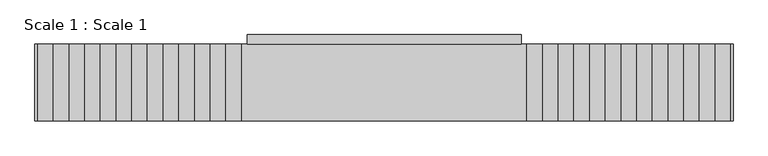
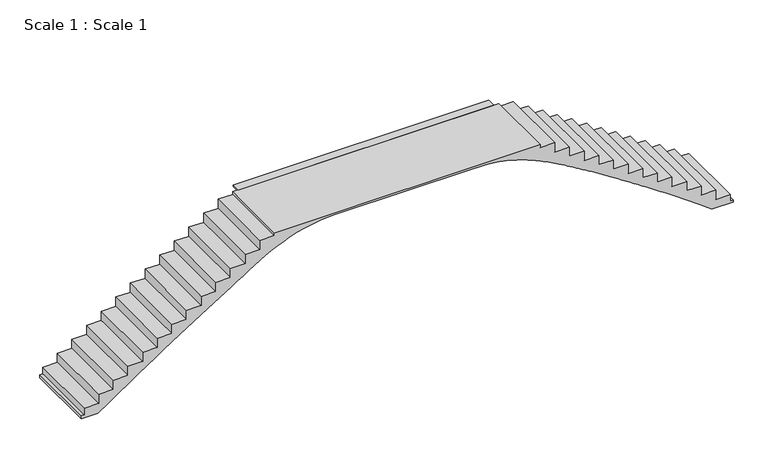
"""IFC4 building model written with IfcOpenShell, lengths in millimetres: stair geometry, Scale 1 : Scale 1."""

from ifc_helpers import new_model, si_unit, frame, origin, place, context, project, spatial, polyline, outline, extrude, source, transform, mapped, element, save
from ifc_brep_helpers import plane_surface, extruded_surface, spline_curve, advanced_brep


def scale_1_scale_1_6ed9c804(model_context):
    return source(origin(), model_context, "Body", "SolidModel", [
        extrude(outline(polyline([(-2451.3222846, 102880.8744563), (-2451.4627447, 103045.5155444), (2338.7658961, 103045.5155444), (2338.9063561, 102880.8744563), (-2451.3222846, 102880.8744563)])), frame((0.0, 0.0, -79.6639607), z_axis=(0.0, 0.0, 1.0), x_axis=(1.0, 0.0, 0.0)), (0.0, 0.0, 1.0), 32.7389607),
        advanced_brep(
        [(-6114.0062312, 101536.9208429, -2409.125), (-6164.0062312, 101536.9208429, -2409.125), (-6164.0062312, 101536.9208429, -2472.8416985), (-5854.7603723, 101536.9208429, -2472.8416985), (-1360.3230097, 101536.9208429, -79.6639607), (1159.8184088, 101536.9208429, -79.6639607), (5642.9128543, 101536.9208429, -2445.1296417), (6040.8513788, 101536.9208429, -2445.1296417), (6040.8513788, 101536.9208429, -2409.125), (5990.8513788, 101536.9208429, -2409.125), (5990.8513788, 101536.9208429, -2277.6964286), (5716.8513788, 101536.9208429, -2277.6964286), (5716.8513788, 101536.9208429, -2096.2678571), (5442.8513788, 101536.9208429, -2096.2678571), (5442.8513788, 101536.9208429, -1914.8392857), (5168.8513788, 101536.9208429, -1914.8392857), (5168.8513788, 101536.9208429, -1733.4107143), (4894.8513788, 101536.9208429, -1733.4107143), (4894.8513788, 101536.9208429, -1551.9821429), (4620.8513788, 101536.9208429, -1551.9821429), (4620.8513788, 101536.9208429, -1370.5535714), (4346.8513788, 101536.9208429, -1370.5535714), (4346.8513788, 101536.9208429, -1189.125), (4072.8513788, 101536.9208429, -1189.125), (4072.8513788, 101536.9208429, -1007.6964286), (3798.8513788, 101536.9208429, -1007.6964286), (3798.8513788, 101536.9208429, -826.2678571), (3524.8513788, 101536.9208429, -826.2678571), (3524.8513788, 101536.9208429, -644.8392857), (3250.8513788, 101536.9208429, -644.8392857), (3250.8513788, 101536.9208429, -463.4107143), (2976.8513788, 101536.9208429, -463.4107143), (2976.8513788, 101536.9208429, -281.9821429), (2702.8513788, 101536.9208429, -281.9821429), (2702.8513788, 101536.9208429, -100.5535714), (2428.8513788, 101536.9208429, -100.5535714), (2428.8513788, 101536.9208429, -46.925), (-2552.0062312, 101536.9208429, -46.925), (-2552.0062312, 101536.9208429, -100.5535714), (-2826.0062312, 101536.9208429, -100.5535714), (-2826.0062312, 101536.9208429, -281.9821429), (-3100.0062312, 101536.9208429, -281.9821429), (-3100.0062312, 101536.9208429, -463.4107143), (-3374.0062312, 101536.9208429, -463.4107143), (-3374.0062312, 101536.9208429, -644.8392857), (-3648.0062312, 101536.9208429, -644.8392857), (-3648.0062312, 101536.9208429, -826.2678571), (-3922.0062312, 101536.9208429, -826.2678571), (-3922.0062312, 101536.9208429, -1007.6964286), (-4196.0062312, 101536.9208429, -1007.6964286), (-4196.0062312, 101536.9208429, -1189.125), (-4470.0062312, 101536.9208429, -1189.125), (-4470.0062312, 101536.9208429, -1370.5535714), (-4744.0062312, 101536.9208429, -1370.5535714), (-4744.0062312, 101536.9208429, -1551.9821429), (-5018.0062312, 101536.9208429, -1551.9821429), (-5018.0062312, 101536.9208429, -1733.4107143), (-5292.0062312, 101536.9208429, -1733.4107143), (-5292.0062312, 101536.9208429, -1914.8392857), (-5566.0062312, 101536.9208429, -1914.8392857), (-5566.0062312, 101536.9208429, -2096.2678571), (-5840.0062312, 101536.9208429, -2096.2678571), (-5840.0062312, 101536.9208429, -2277.6964286), (-6114.0062312, 101536.9208429, -2277.6964286), (-6114.0062312, 102880.8744563, -2409.125), (-6114.0062312, 102880.8744563, -2277.6964286), (-5840.0062312, 102880.8744563, -2277.6964286), (-5840.0062312, 102880.8744563, -2096.2678571), (-5566.0062312, 102880.8744563, -2096.2678571), (-5566.0062312, 102880.8744563, -1914.8392857), (-5292.0062312, 102880.8744563, -1914.8392857), (-5292.0062312, 102880.8744563, -1733.4107143), (-5018.0062312, 102880.8744563, -1733.4107143), (-5018.0062312, 102880.8744563, -1551.9821429), (-4744.0062312, 102880.8744563, -1551.9821429), (-4744.0062312, 102880.8744563, -1370.5535714), (-4470.0062312, 102880.8744563, -1370.5535714), (-4470.0062312, 102880.8744563, -1189.125), (-4196.0062312, 102880.8744563, -1189.125), (-4196.0062312, 102880.8744563, -1007.6964286), (-3922.0062312, 102880.8744563, -1007.6964286), (-3922.0062312, 102880.8744563, -826.2678571), (-3648.0062312, 102880.8744563, -826.2678571), (-3648.0062312, 102880.8744563, -644.8392857), (-3374.0062312, 102880.8744563, -644.8392857), (-3374.0062312, 102880.8744563, -463.4107143), (-3100.0062312, 102880.8744563, -463.4107143), (-3100.0062312, 102880.8744563, -281.9821429), (-2826.0062312, 102880.8744563, -281.9821429), (-2826.0062312, 102880.8744563, -100.5535714), (-2552.0062312, 102880.8744563, -100.5535714), (-2552.0062312, 102880.8744563, -46.925), (2428.8513788, 102880.8744563, -46.925), (2428.8513788, 102880.8744563, -100.5535714), (2702.8513788, 102880.8744563, -100.5535714), (2702.8513788, 102880.8744563, -281.9821429), (2976.8513788, 102880.8744563, -281.9821429), (2976.8513788, 102880.8744563, -463.4107143), (3250.8513788, 102880.8744563, -463.4107143), (3250.8513788, 102880.8744563, -644.8392857), (3524.8513788, 102880.8744563, -644.8392857), (3524.8513788, 102880.8744563, -826.2678571), (3798.8513788, 102880.8744563, -826.2678571), (3798.8513788, 102880.8744563, -1007.6964286), (4072.8513788, 102880.8744563, -1007.6964286), (4072.8513788, 102880.8744563, -1189.125), (4346.8513788, 102880.8744563, -1189.125), (4346.8513788, 102880.8744563, -1370.5535714), (4620.8513788, 102880.8744563, -1370.5535714), (4620.8513788, 102880.8744563, -1551.9821429), (4894.8513788, 102880.8744563, -1551.9821429), (4894.8513788, 102880.8744563, -1733.4107143), (5168.8513788, 102880.8744563, -1733.4107143), (5168.8513788, 102880.8744563, -1914.8392857), (5442.8513788, 102880.8744563, -1914.8392857), (5442.8513788, 102880.8744563, -2096.2678571), (5716.8513788, 102880.8744563, -2096.2678571), (5716.8513788, 102880.8744563, -2277.6964286), (5990.8513788, 102880.8744563, -2277.6964286), (5990.8513788, 102880.8744563, -2409.125), (6040.8513788, 102880.8744563, -2409.125), (6040.8513788, 102880.8744563, -2445.1296417), (5642.9128543, 102880.8744563, -2445.1296417), (1159.8184088, 102880.8744563, -79.6639607), (-1360.3230097, 102880.8744563, -79.6639607), (-5854.7603723, 102880.8744563, -2472.8416985), (-6164.0062312, 102880.8744563, -2472.8416985), (-6164.0062312, 102880.8744563, -2409.125)],
        [
            (0, 1),
            (1, 2),
            (2, 3),
            (3, 4, spline_curve(3, [(-5854.7603723, 101536.9208429, -2472.8416985), (-5215.939141151, 101536.9208429, -2021.633828203), (-4711.963453904, 101536.9208429, -1691.814876884), (-3835.267017317, 101536.9208429, -1132.231871195), (-3469.174377386, 101536.9208429, -907.41847355), (-2840.926000292, 101536.9208429, -509.262302512), (-2571.416360257, 101536.9208429, -333.25600703), (-1962.500538251, 101536.9208429, -133.708721794), (-1671.518733949, 101536.9208429, -79.6639607), (-1360.3230097, 101536.9208429, -79.6639607)], [4, 2, 2, 2, 4], [0.0, 3.5428278716966215, 7.239057588797348, 10.381137758256397, 12.537862804239388])),
            (4, 5),
            (5, 6, spline_curve(3, [(1159.8184088, 101536.9208429, -79.6639607), (1582.914099428, 101536.9208429, -79.6639607), (1798.792499676, 101536.9208429, -130.701772013), (2268.538307721, 101536.9208429, -279.514807901), (2485.83237614, 101536.9208429, -387.857029454), (3082.824715666, 101536.9208429, -720.52482361), (3492.867772039, 101536.9208429, -973.094985439), (4531.446560892, 101536.9208429, -1653.591309258), (5151.964602583, 101536.9208429, -2075.173598209), (5642.9128543, 101536.9208429, -2445.1296417)], [4, 2, 2, 2, 4], [0.0, 1.8897821220264976, 4.741252817784384, 8.66091437078692, 12.445480388334165])),
            (6, 7),
            (7, 8),
            (8, 9),
            (9, 10),
            (10, 11),
            (11, 12),
            (12, 13),
            (13, 14),
            (14, 15),
            (15, 16),
            (16, 17),
            (17, 18),
            (18, 19),
            (19, 20),
            (20, 21),
            (21, 22),
            (22, 23),
            (23, 24),
            (24, 25),
            (25, 26),
            (26, 27),
            (27, 28),
            (28, 29),
            (29, 30),
            (30, 31),
            (31, 32),
            (32, 33),
            (33, 34),
            (34, 35),
            (35, 36),
            (36, 37),
            (37, 38),
            (38, 39),
            (39, 40),
            (40, 41),
            (41, 42),
            (42, 43),
            (43, 44),
            (44, 45),
            (45, 46),
            (46, 47),
            (47, 48),
            (48, 49),
            (49, 50),
            (50, 51),
            (51, 52),
            (52, 53),
            (53, 54),
            (54, 55),
            (55, 56),
            (56, 57),
            (57, 58),
            (58, 59),
            (59, 60),
            (60, 61),
            (61, 62),
            (62, 63),
            (63, 0),
            (64, 65),
            (65, 66),
            (66, 67),
            (67, 68),
            (68, 69),
            (69, 70),
            (70, 71),
            (71, 72),
            (72, 73),
            (73, 74),
            (74, 75),
            (75, 76),
            (76, 77),
            (77, 78),
            (78, 79),
            (79, 80),
            (80, 81),
            (81, 82),
            (82, 83),
            (83, 84),
            (84, 85),
            (85, 86),
            (86, 87),
            (87, 88),
            (88, 89),
            (89, 90),
            (90, 91),
            (91, 92),
            (92, 93),
            (93, 94),
            (94, 95),
            (95, 96),
            (96, 97),
            (97, 98),
            (98, 99),
            (99, 100),
            (100, 101),
            (101, 102),
            (102, 103),
            (103, 104),
            (104, 105),
            (105, 106),
            (106, 107),
            (107, 108),
            (108, 109),
            (109, 110),
            (110, 111),
            (111, 112),
            (112, 113),
            (113, 114),
            (114, 115),
            (115, 116),
            (116, 117),
            (117, 118),
            (118, 119),
            (119, 120),
            (120, 121),
            (121, 122),
            (122, 123, spline_curve(3, [(5642.9128543, 102880.8744563, -2445.1296417), (5151.964602583, 102880.8744563, -2075.173598209), (4531.446560892, 102880.8744563, -1653.591309258), (3492.867772039, 102880.8744563, -973.094985439), (3082.824715666, 102880.8744563, -720.52482361), (2485.83237614, 102880.8744563, -387.857029454), (2268.538307721, 102880.8744563, -279.514807901), (1798.792499676, 102880.8744563, -130.701772013), (1582.914099428, 102880.8744563, -79.6639607), (1159.8184088, 102880.8744563, -79.6639607)], [4, 2, 2, 2, 4], [0.0, 3.7845660175472453, 7.704227570549781, 10.555698266307667, 12.445480388334165])),
            (123, 124),
            (124, 125, spline_curve(3, [(-1360.3230097, 102880.8744563, -79.6639607), (-1671.518733949, 102880.8744563, -79.6639607), (-1962.500538251, 102880.8744563, -133.708721794), (-2571.416360257, 102880.8744563, -333.25600703), (-2840.926000292, 102880.8744563, -509.262302512), (-3469.174377386, 102880.8744563, -907.41847355), (-3835.267017317, 102880.8744563, -1132.231871195), (-4711.963453904, 102880.8744563, -1691.814876884), (-5215.939141151, 102880.8744563, -2021.633828203), (-5854.7603723, 102880.8744563, -2472.8416985)], [4, 2, 2, 2, 4], [0.0, 2.1567250459829914, 5.298805215442041, 8.995034932542767, 12.537862804239388])),
            (125, 126),
            (126, 127),
            (127, 64),
            (0, 64),
            (127, 1),
            (126, 2),
            (125, 3),
            (124, 4),
            (123, 5),
            (122, 6),
            (121, 7),
            (120, 8),
            (119, 9),
            (118, 10),
            (117, 11),
            (116, 12),
            (115, 13),
            (114, 14),
            (113, 15),
            (112, 16),
            (111, 17),
            (110, 18),
            (109, 19),
            (108, 20),
            (107, 21),
            (106, 22),
            (105, 23),
            (104, 24),
            (103, 25),
            (102, 26),
            (101, 27),
            (100, 28),
            (99, 29),
            (98, 30),
            (97, 31),
            (96, 32),
            (95, 33),
            (94, 34),
            (93, 35),
            (92, 36),
            (91, 37),
            (90, 38),
            (89, 39),
            (88, 40),
            (87, 41),
            (86, 42),
            (85, 43),
            (84, 44),
            (83, 45),
            (82, 46),
            (81, 47),
            (80, 48),
            (79, 49),
            (78, 50),
            (77, 51),
            (76, 52),
            (75, 53),
            (74, 54),
            (73, 55),
            (72, 56),
            (71, 57),
            (70, 58),
            (69, 59),
            (68, 60),
            (67, 61),
            (66, 62),
            (65, 63),
        ],
        [
            plane_surface(frame((-2652.0062312, 101536.9208429, 130.875), z_axis=(0.0, -1.0, 0.0), x_axis=(0.0, 0.0, 1.0))),
            plane_surface(frame((-2652.0062312, 102880.8744563, 130.875), z_axis=(0.0, 1.0, 0.0), x_axis=(0.0, 0.0, 1.0))),
            plane_surface(frame((-6114.0062312, 101536.9208429, -2409.125), z_axis=(0.0, 0.0, 1.0), x_axis=(0.0, 1.0, 0.0))),
            plane_surface(frame((-6164.0062312, 101536.9208429, -2409.125), z_axis=(-1.0, 0.0, 0.0), x_axis=(0.0, 1.0, 0.0))),
            plane_surface(frame((-6164.0062312, 101536.9208429, -2472.8416985), z_axis=(0.0, 0.0, -1.0), x_axis=(0.0, 1.0, 0.0))),
            extruded_surface(spline_curve(3, [(-5854.7603723, 102880.8744563, -2472.8416985), (-5215.939141151, 102880.8744563, -2021.633828203), (-4711.963453904, 102880.8744563, -1691.814876884), (-3835.267017317, 102880.8744563, -1132.231871195), (-3469.174377386, 102880.8744563, -907.41847355), (-2840.926000292, 102880.8744563, -509.262302512), (-2571.416360257, 102880.8744563, -333.25600703), (-1962.500538251, 102880.8744563, -133.708721794), (-1671.518733949, 102880.8744563, -79.6639607), (-1360.3230097, 102880.8744563, -79.6639607)], [4, 2, 2, 2, 4], [0.0, 3.5428278716966215, 7.239057588797348, 10.381137758256397, 12.537862804239388]), (0.0, -1343.9536133999936, 0.0), 1343.9536133999936),
            plane_surface(frame((-1360.3230097, 101536.9208429, -79.6639607), z_axis=(0.0, 0.0, -1.0), x_axis=(0.0, 1.0, 0.0))),
            extruded_surface(spline_curve(3, [(1159.8184088, 102880.8744563, -79.6639607), (1582.914099428, 102880.8744563, -79.6639607), (1798.792499676, 102880.8744563, -130.701772013), (2268.538307721, 102880.8744563, -279.514807901), (2485.83237614, 102880.8744563, -387.857029454), (3082.824715666, 102880.8744563, -720.52482361), (3492.867772039, 102880.8744563, -973.094985439), (4531.446560892, 102880.8744563, -1653.591309258), (5151.964602583, 102880.8744563, -2075.173598209), (5642.9128543, 102880.8744563, -2445.1296417)], [4, 2, 2, 2, 4], [0.0, 1.8897821220264976, 4.741252817784384, 8.66091437078692, 12.445480388334165]), (0.0, -1343.9536133999936, 0.0), 1343.9536133999936),
            plane_surface(frame((5642.9128543, 101536.9208429, -2445.1296417), z_axis=(0.0, 0.0, -1.0), x_axis=(0.0, 1.0, 0.0))),
            plane_surface(frame((6040.8513788, 101536.9208429, -2445.1296417), z_axis=(1.0, 0.0, 0.0), x_axis=(0.0, 1.0, 0.0))),
            plane_surface(frame((6040.8513788, 101536.9208429, -2409.125), z_axis=(0.0, 0.0, 1.0), x_axis=(0.0, 1.0, 0.0))),
            plane_surface(frame((5990.8513788, 101536.9208429, -2409.125), z_axis=(1.0, 0.0, 0.0), x_axis=(0.0, 1.0, 0.0))),
            plane_surface(frame((5990.8513788, 101536.9208429, -2277.6964286), z_axis=(0.0, 0.0, 1.0), x_axis=(0.0, 1.0, 0.0))),
            plane_surface(frame((5716.8513788, 101536.9208429, -2277.6964286), z_axis=(1.0, 0.0, 0.0), x_axis=(0.0, 1.0, 0.0))),
            plane_surface(frame((5716.8513788, 101536.9208429, -2096.2678571), z_axis=(0.0, 0.0, 1.0), x_axis=(0.0, 1.0, 0.0))),
            plane_surface(frame((5442.8513788, 101536.9208429, -2096.2678571), z_axis=(1.0, 0.0, 0.0), x_axis=(0.0, 1.0, 0.0))),
            plane_surface(frame((5442.8513788, 101536.9208429, -1914.8392857), z_axis=(0.0, 0.0, 1.0), x_axis=(0.0, 1.0, 0.0))),
            plane_surface(frame((5168.8513788, 101536.9208429, -1914.8392857), z_axis=(1.0, 0.0, 0.0), x_axis=(0.0, 1.0, 0.0))),
            plane_surface(frame((5168.8513788, 101536.9208429, -1733.4107143), z_axis=(0.0, 0.0, 1.0), x_axis=(0.0, 1.0, 0.0))),
            plane_surface(frame((4894.8513788, 101536.9208429, -1733.4107143), z_axis=(1.0, 0.0, 0.0), x_axis=(0.0, 1.0, 0.0))),
            plane_surface(frame((4894.8513788, 101536.9208429, -1551.9821429), z_axis=(0.0, 0.0, 1.0), x_axis=(0.0, 1.0, 0.0))),
            plane_surface(frame((4620.8513788, 101536.9208429, -1551.9821429), z_axis=(1.0, 0.0, 0.0), x_axis=(0.0, 1.0, 0.0))),
            plane_surface(frame((4620.8513788, 101536.9208429, -1370.5535714), z_axis=(0.0, 0.0, 1.0), x_axis=(0.0, 1.0, 0.0))),
            plane_surface(frame((4346.8513788, 101536.9208429, -1370.5535714), z_axis=(1.0, 0.0, 0.0), x_axis=(0.0, 1.0, 0.0))),
            plane_surface(frame((4346.8513788, 101536.9208429, -1189.125), z_axis=(0.0, 0.0, 1.0), x_axis=(0.0, 1.0, 0.0))),
            plane_surface(frame((4072.8513788, 101536.9208429, -1189.125), z_axis=(1.0, 0.0, 0.0), x_axis=(0.0, 1.0, 0.0))),
            plane_surface(frame((4072.8513788, 101536.9208429, -1007.6964286), z_axis=(0.0, 0.0, 1.0), x_axis=(0.0, 1.0, 0.0))),
            plane_surface(frame((3798.8513788, 101536.9208429, -1007.6964286), z_axis=(1.0, 0.0, 0.0), x_axis=(0.0, 1.0, 0.0))),
            plane_surface(frame((3798.8513788, 101536.9208429, -826.2678571), z_axis=(0.0, 0.0, 1.0), x_axis=(0.0, 1.0, 0.0))),
            plane_surface(frame((3524.8513788, 101536.9208429, -826.2678571), z_axis=(1.0, 0.0, 0.0), x_axis=(0.0, 1.0, 0.0))),
            plane_surface(frame((3524.8513788, 101536.9208429, -644.8392857), z_axis=(0.0, 0.0, 1.0), x_axis=(0.0, 1.0, 0.0))),
            plane_surface(frame((3250.8513788, 101536.9208429, -644.8392857), z_axis=(1.0, 0.0, 0.0), x_axis=(0.0, 1.0, 0.0))),
            plane_surface(frame((3250.8513788, 101536.9208429, -463.4107143), z_axis=(0.0, 0.0, 1.0), x_axis=(0.0, 1.0, 0.0))),
            plane_surface(frame((2976.8513788, 101536.9208429, -463.4107143), z_axis=(1.0, 0.0, 0.0), x_axis=(0.0, 1.0, 0.0))),
            plane_surface(frame((2976.8513788, 101536.9208429, -281.9821429), z_axis=(0.0, 0.0, 1.0), x_axis=(0.0, 1.0, 0.0))),
            plane_surface(frame((2702.8513788, 101536.9208429, -281.9821429), z_axis=(1.0, 0.0, 0.0), x_axis=(0.0, 1.0, 0.0))),
            plane_surface(frame((2702.8513788, 101536.9208429, -100.5535714), z_axis=(0.0, 0.0, 1.0), x_axis=(0.0, 1.0, 0.0))),
            plane_surface(frame((2428.8513788, 101536.9208429, -100.5535714), z_axis=(1.0, 0.0, 0.0), x_axis=(0.0, 1.0, 0.0))),
            plane_surface(frame((2428.8513788, 101536.9208429, -46.925), z_axis=(0.0, 0.0, 1.0), x_axis=(0.0, 1.0, 0.0))),
            plane_surface(frame((-2552.0062312, 101536.9208429, -46.925), z_axis=(-1.0, 0.0, 0.0), x_axis=(0.0, 1.0, 0.0))),
            plane_surface(frame((-2552.0062312, 101536.9208429, -100.5535714), z_axis=(0.0, 0.0, 1.0), x_axis=(0.0, 1.0, 0.0))),
            plane_surface(frame((-2826.0062312, 101536.9208429, -100.5535714), z_axis=(-1.0, 0.0, 0.0), x_axis=(0.0, 1.0, 0.0))),
            plane_surface(frame((-2826.0062312, 101536.9208429, -281.9821429), z_axis=(0.0, 0.0, 1.0), x_axis=(0.0, 1.0, 0.0))),
            plane_surface(frame((-3100.0062312, 101536.9208429, -281.9821429), z_axis=(-1.0, 0.0, 0.0), x_axis=(0.0, 1.0, 0.0))),
            plane_surface(frame((-3100.0062312, 101536.9208429, -463.4107143), z_axis=(0.0, 0.0, 1.0), x_axis=(0.0, 1.0, 0.0))),
            plane_surface(frame((-3374.0062312, 101536.9208429, -463.4107143), z_axis=(-1.0, 0.0, 0.0), x_axis=(0.0, 1.0, 0.0))),
            plane_surface(frame((-3374.0062312, 101536.9208429, -644.8392857), z_axis=(0.0, 0.0, 1.0), x_axis=(0.0, 1.0, 0.0))),
            plane_surface(frame((-3648.0062312, 101536.9208429, -644.8392857), z_axis=(-1.0, 0.0, 0.0), x_axis=(0.0, 1.0, 0.0))),
            plane_surface(frame((-3648.0062312, 101536.9208429, -826.2678571), z_axis=(0.0, 0.0, 1.0), x_axis=(0.0, 1.0, 0.0))),
            plane_surface(frame((-3922.0062312, 101536.9208429, -826.2678571), z_axis=(-1.0, 0.0, 0.0), x_axis=(0.0, 1.0, 0.0))),
            plane_surface(frame((-3922.0062312, 101536.9208429, -1007.6964286), z_axis=(0.0, 0.0, 1.0), x_axis=(0.0, 1.0, 0.0))),
            plane_surface(frame((-4196.0062312, 101536.9208429, -1007.6964286), z_axis=(-1.0, 0.0, 0.0), x_axis=(0.0, 1.0, 0.0))),
            plane_surface(frame((-4196.0062312, 101536.9208429, -1189.125), z_axis=(0.0, 0.0, 1.0), x_axis=(0.0, 1.0, 0.0))),
            plane_surface(frame((-4470.0062312, 101536.9208429, -1189.125), z_axis=(-1.0, 0.0, 0.0), x_axis=(0.0, 1.0, 0.0))),
            plane_surface(frame((-4470.0062312, 101536.9208429, -1370.5535714), z_axis=(0.0, 0.0, 1.0), x_axis=(0.0, 1.0, 0.0))),
            plane_surface(frame((-4744.0062312, 101536.9208429, -1370.5535714), z_axis=(-1.0, 0.0, 0.0), x_axis=(0.0, 1.0, 0.0))),
            plane_surface(frame((-4744.0062312, 101536.9208429, -1551.9821429), z_axis=(0.0, 0.0, 1.0), x_axis=(0.0, 1.0, 0.0))),
            plane_surface(frame((-5018.0062312, 101536.9208429, -1551.9821429), z_axis=(-1.0, 0.0, 0.0), x_axis=(0.0, 1.0, 0.0))),
            plane_surface(frame((-5018.0062312, 101536.9208429, -1733.4107143), z_axis=(0.0, 0.0, 1.0), x_axis=(0.0, 1.0, 0.0))),
            plane_surface(frame((-5292.0062312, 101536.9208429, -1733.4107143), z_axis=(-1.0, 0.0, 0.0), x_axis=(0.0, 1.0, 0.0))),
            plane_surface(frame((-5292.0062312, 101536.9208429, -1914.8392857), z_axis=(0.0, 0.0, 1.0), x_axis=(0.0, 1.0, 0.0))),
            plane_surface(frame((-5566.0062312, 101536.9208429, -1914.8392857), z_axis=(-1.0, 0.0, 0.0), x_axis=(0.0, 1.0, 0.0))),
            plane_surface(frame((-5566.0062312, 101536.9208429, -2096.2678571), z_axis=(0.0, 0.0, 1.0), x_axis=(0.0, 1.0, 0.0))),
            plane_surface(frame((-5840.0062312, 101536.9208429, -2096.2678571), z_axis=(-1.0, 0.0, 0.0), x_axis=(0.0, 1.0, 0.0))),
            plane_surface(frame((-5840.0062312, 101536.9208429, -2277.6964286), z_axis=(0.0, 0.0, 1.0), x_axis=(0.0, 1.0, 0.0))),
            plane_surface(frame((-6114.0062312, 101536.9208429, -2277.6964286), z_axis=(-1.0, 0.0, 0.0), x_axis=(0.0, 1.0, 0.0))),
        ],
        [
            (0, [[1, 2, 3, 4, 5, 6, 7, 8, 9, 10, 11, 12, 13, 14, 15, 16, 17, 18, 19, 20, 21, 22, 23, 24, 25, 26, 27, 28, 29, 30, 31, 32, 33, 34, 35, 36, 37, 38, 39, 40, 41, 42, 43, 44, 45, 46, 47, 48, 49, 50, 51, 52, 53, 54, 55, 56, 57, 58, 59, 60, 61, 62, 63, 64]]),
            (1, [[65, 66, 67, 68, 69, 70, 71, 72, 73, 74, 75, 76, 77, 78, 79, 80, 81, 82, 83, 84, 85, 86, 87, 88, 89, 90, 91, 92, 93, 94, 95, 96, 97, 98, 99, 100, 101, 102, 103, 104, 105, 106, 107, 108, 109, 110, 111, 112, 113, 114, 115, 116, 117, 118, 119, 120, 121, 122, 123, 124, 125, 126, 127, 128]]),
            (2, [[-1, 129, -128, 130]]),
            (3, [[-2, -130, -127, 131]]),
            (4, [[-3, -131, -126, 132]]),
            (5, [[-4, -132, -125, 133]]),
            (6, [[-5, -133, -124, 134]]),
            (7, [[-6, -134, -123, 135]]),
            (8, [[-7, -135, -122, 136]]),
            (9, [[-8, -136, -121, 137]]),
            (10, [[-9, -137, -120, 138]]),
            (11, [[-10, -138, -119, 139]]),
            (12, [[-11, -139, -118, 140]]),
            (13, [[-12, -140, -117, 141]]),
            (14, [[-13, -141, -116, 142]]),
            (15, [[-14, -142, -115, 143]]),
            (16, [[-15, -143, -114, 144]]),
            (17, [[-16, -144, -113, 145]]),
            (18, [[-17, -145, -112, 146]]),
            (19, [[-18, -146, -111, 147]]),
            (20, [[-19, -147, -110, 148]]),
            (21, [[-20, -148, -109, 149]]),
            (22, [[-21, -149, -108, 150]]),
            (23, [[-22, -150, -107, 151]]),
            (24, [[-23, -151, -106, 152]]),
            (25, [[-24, -152, -105, 153]]),
            (26, [[-25, -153, -104, 154]]),
            (27, [[-26, -154, -103, 155]]),
            (28, [[-27, -155, -102, 156]]),
            (29, [[-28, -156, -101, 157]]),
            (30, [[-29, -157, -100, 158]]),
            (31, [[-30, -158, -99, 159]]),
            (32, [[-31, -159, -98, 160]]),
            (33, [[-32, -160, -97, 161]]),
            (34, [[-33, -161, -96, 162]]),
            (35, [[-34, -162, -95, 163]]),
            (36, [[-35, -163, -94, 164]]),
            (37, [[-36, -164, -93, 165]]),
            (38, [[-37, -165, -92, 166]]),
            (39, [[-38, -166, -91, 167]]),
            (40, [[-39, -167, -90, 168]]),
            (41, [[-40, -168, -89, 169]]),
            (42, [[-41, -169, -88, 170]]),
            (43, [[-42, -170, -87, 171]]),
            (44, [[-43, -171, -86, 172]]),
            (45, [[-44, -172, -85, 173]]),
            (46, [[-45, -173, -84, 174]]),
            (47, [[-46, -174, -83, 175]]),
            (48, [[-47, -175, -82, 176]]),
            (49, [[-48, -176, -81, 177]]),
            (50, [[-49, -177, -80, 178]]),
            (51, [[-50, -178, -79, 179]]),
            (52, [[-51, -179, -78, 180]]),
            (53, [[-52, -180, -77, 181]]),
            (54, [[-53, -181, -76, 182]]),
            (55, [[-54, -182, -75, 183]]),
            (56, [[-55, -183, -74, 184]]),
            (57, [[-56, -184, -73, 185]]),
            (58, [[-57, -185, -72, 186]]),
            (59, [[-58, -186, -71, 187]]),
            (60, [[-59, -187, -70, 188]]),
            (61, [[-60, -188, -69, 189]]),
            (62, [[-61, -189, -68, 190]]),
            (63, [[-62, -190, -67, 191]]),
            (64, [[-63, -191, -66, 192]]),
            (65, [[-64, -192, -65, -129]]),
        ],
    ),
    ])


if __name__ == "__main__":
    model = new_model("IFC4")
    model_context = context("Model", 3, world=origin())
    ifc_project = project(units=[si_unit("LENGTHUNIT", "METRE", prefix="MILLI")], contexts=[model_context])
    site = spatial("IfcSite", under=ifc_project)
    building = spatial("IfcBuilding", under=site)
    placement = place(None, origin())
    scale_1_scale_1_shape = scale_1_scale_1_6ed9c804(model_context)
    element("IfcStair", 1, ObjectType="Scale 1 : Scale 1", at=placement, inside=building, context=model_context, shape_type="MappedRepresentation", body=[
        mapped(scale_1_scale_1_shape, transform((0.0, 0.0, 0.0), x_axis=(1.0, 0.0, 0.0), y_axis=(0.0, 1.0, 0.0), z_axis=(0.0, 0.0, 1.0))),
    ])
    save(model, "model.ifc")
